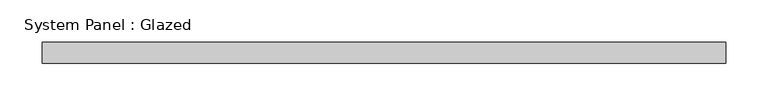
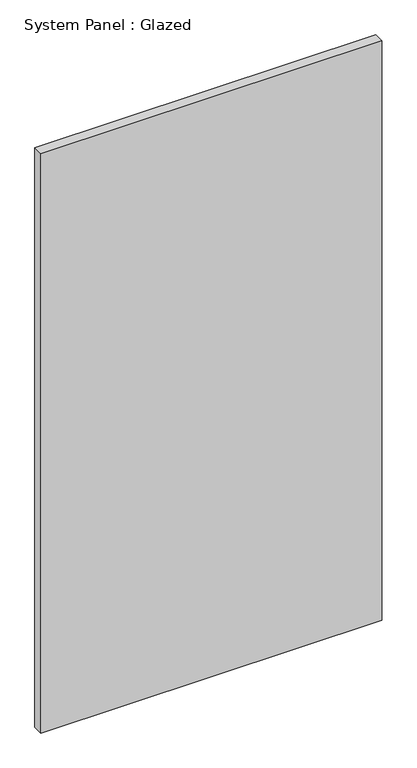
"""IFC4 building model written with IfcOpenShell, lengths in millimetres: plate geometry, System Panel : Glazed."""

from ifc_helpers import new_model, si_unit, origin, origin_with_axes, place, context, project, spatial, polyline, outline, extrude, source, transform, mapped, element, save


def system_panel_glazed_00ab1eda(model_context):
    return source(origin(), model_context, "Body", "SweptSolid", [
        extrude(outline(polyline([(404.1666667, -49.5), (-404.1666667, -49.5), (-404.1666667, -24.5), (404.1666667, -24.5), (404.1666667, -49.5)])), origin_with_axes(), (0.0, 0.0, 1.0), 1451.6915209),
    ])


if __name__ == "__main__":
    model = new_model("IFC4")
    model_context = context("Model", 3, world=origin())
    ifc_project = project(units=[si_unit("LENGTHUNIT", "METRE", prefix="MILLI")], contexts=[model_context])
    site = spatial("IfcSite", under=ifc_project)
    building = spatial("IfcBuilding", under=site)
    placement = place(None, origin())
    system_panel_glazed_shape = system_panel_glazed_00ab1eda(model_context)
    element("IfcPlate", 1, ObjectType="System Panel : Glazed", at=placement, inside=building, context=model_context, shape_type="MappedRepresentation", body=[
        mapped(system_panel_glazed_shape, transform((0.0, 0.0, 0.0), x_axis=(1.0, 0.0, 0.0), y_axis=(0.0, 1.0, 0.0), z_axis=(0.0, 0.0, 1.0))),
    ])
    save(model, "model.ifc")
